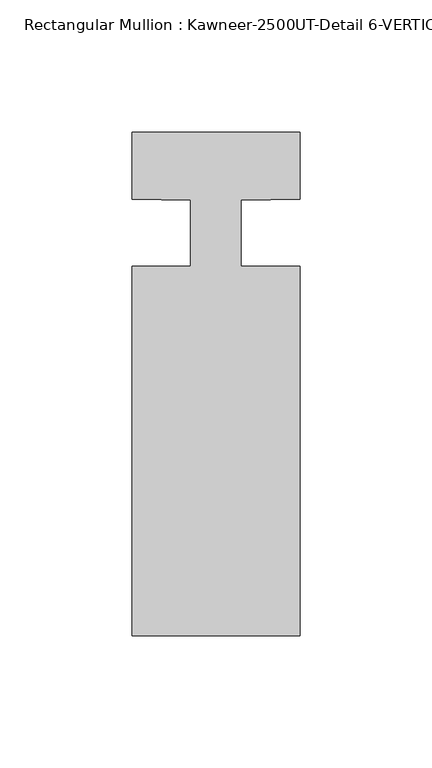
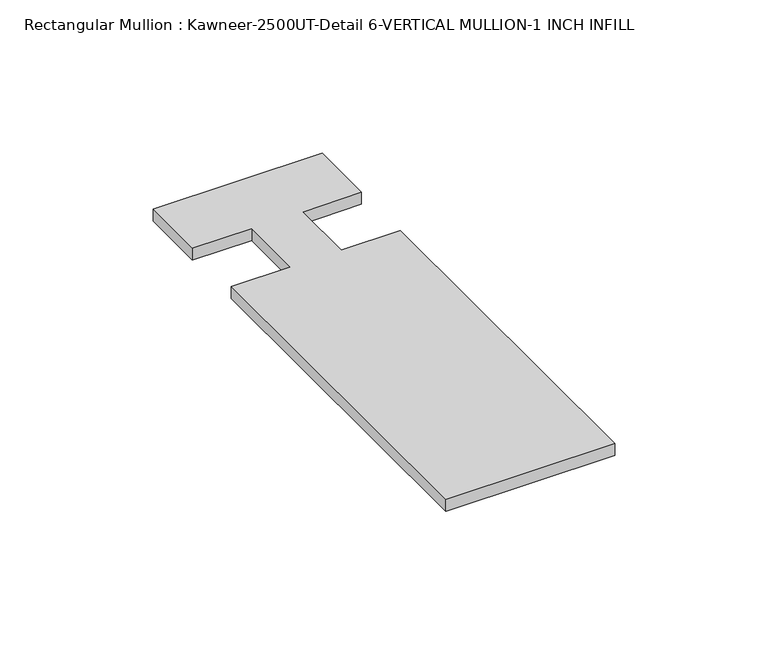
"""IFC4 building model written with IfcOpenShell, lengths in millimetres: member geometry, Rectangular Mullion : Kawneer-2500UT-Detail 6-VERTICAL MULLION-1 INCH INFILL."""

from ifc_helpers import new_model, si_unit, point, frame, frame_2d, origin, place, context, project, spatial, polyline, circle_curve, trimmed, segment, composite_curve, outline, extrude, source, transform, mapped, element, save


def rectangular_mullion_kawneer_2500ut_detail_6_vertical_mullion_77702e13(model_context):
    return source(origin(), model_context, "Body", "SweptSolid", [
        extrude(outline(composite_curve([segment(polyline([(-31.75, -165.099995), (-31.75, -25.4), (-9.5251132, -25.4), (-9.5251132, -0.3176283)]), True, "CONTINUOUS"), segment(trimmed(circle_curve(frame_2d((-27.4492482, -461.0078197)), 461.0387479), [point((-9.5251132, -0.3176283))], [point((-31.75, 0.0108682))], True, "CARTESIAN"), True, "CONTINUOUS"), segment(polyline([(-31.75, 0.0108682), (-31.75, 25.4), (31.75, 25.4), (31.75, 0.0108682)]), True, "CONTINUOUS"), segment(trimmed(circle_curve(frame_2d((27.4492482, -461.0078197)), 461.0387479), [point((31.75, 0.0108682))], [point((9.5251132, -0.3176283))], True, "CARTESIAN"), True, "CONTINUOUS"), segment(polyline([(9.5251132, -0.3176283), (9.5251132, -25.4), (31.75, -25.4), (31.75, -165.099995), (-31.75, -165.099995)]), True, "CONTINUOUS")], self_intersect=False)), frame((0.0, 0.0, -4.7625), z_axis=(0.0, 0.0, 1.0), x_axis=(1.0, 0.0, 0.0)), (0.0, 0.0, 1.0), 4.7625),
    ])


if __name__ == "__main__":
    model = new_model("IFC4")
    model_context = context("Model", 3, world=origin())
    ifc_project = project(units=[si_unit("LENGTHUNIT", "METRE", prefix="MILLI")], contexts=[model_context])
    site = spatial("IfcSite", under=ifc_project)
    building = spatial("IfcBuilding", under=site)
    placement = place(None, origin())
    rectangular_mullion_kawneer_2500ut_detail_6_vertical_mullion_shape = rectangular_mullion_kawneer_2500ut_detail_6_vertical_mullion_77702e13(model_context)
    element("IfcMember", 1, ObjectType="Rectangular Mullion : Kawneer-2500UT-Detail 6-VERTICAL MULLION-1 INCH INFILL", at=placement, inside=building, context=model_context, shape_type="MappedRepresentation", body=[
        mapped(rectangular_mullion_kawneer_2500ut_detail_6_vertical_mullion_shape, transform((0.0, 0.0, 0.0), x_axis=(1.0, 0.0, 0.0), y_axis=(0.0, 1.0, 0.0), z_axis=(0.0, 0.0, 1.0))),
    ])
    save(model, "model.ifc")
